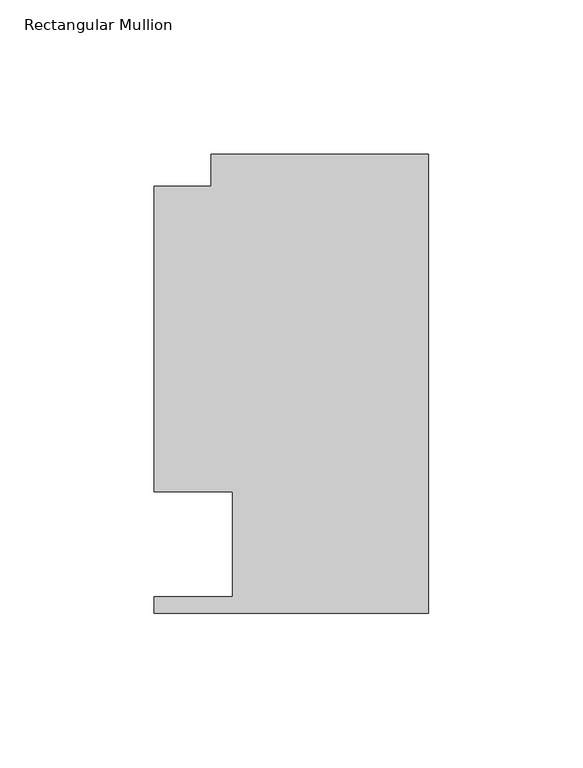
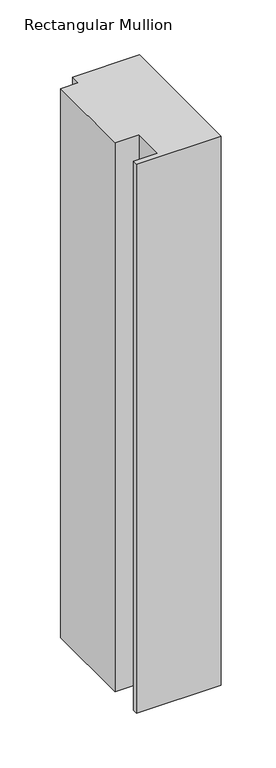
"""IFC4 building model written with IfcOpenShell, lengths in millimetres: member geometry, Rectangular Mullion."""

from ifc_helpers import new_model, si_unit, frame, origin, place, context, project, spatial, polyline, outline, extrude, source, transform, mapped, element, save


def rectangular_mullion_1bede4f5(model_context):
    return source(origin(), model_context, "Body", "SweptSolid", [
        extrude(outline(polyline([(0.0, 148.737016), (0.0, 0.0198437), (-88.9090899, 0.0198437), (-88.9090899, 5.3538437), (-63.5090899, 5.3538437), (-63.5090899, 39.3898438), (-88.9090899, 39.3898438), (-88.9090899, 138.3230199), (-70.3924898, 138.3230199), (-70.3924898, 148.737016), (0.0, 148.737016)])), frame((0.0, 0.0, -609.5865062), z_axis=(0.0, 0.0, 1.0), x_axis=(1.0, 0.0, 0.0)), (0.0, 0.0, 1.0), 609.5865062),
    ])


if __name__ == "__main__":
    model = new_model("IFC4")
    model_context = context("Model", 3, world=origin())
    ifc_project = project(units=[si_unit("LENGTHUNIT", "METRE", prefix="MILLI")], contexts=[model_context])
    site = spatial("IfcSite", under=ifc_project)
    building = spatial("IfcBuilding", under=site)
    placement = place(None, origin())
    rectangular_mullion_shape = rectangular_mullion_1bede4f5(model_context)
    element("IfcMember", 1, ObjectType="Rectangular Mullion", at=placement, inside=building, context=model_context, shape_type="MappedRepresentation", body=[
        mapped(rectangular_mullion_shape, transform((0.0, 0.0, 0.0), x_axis=(1.0, 0.0, 0.0), y_axis=(0.0, 1.0, 0.0), z_axis=(0.0, 0.0, 1.0))),
    ])
    save(model, "model.ifc")
